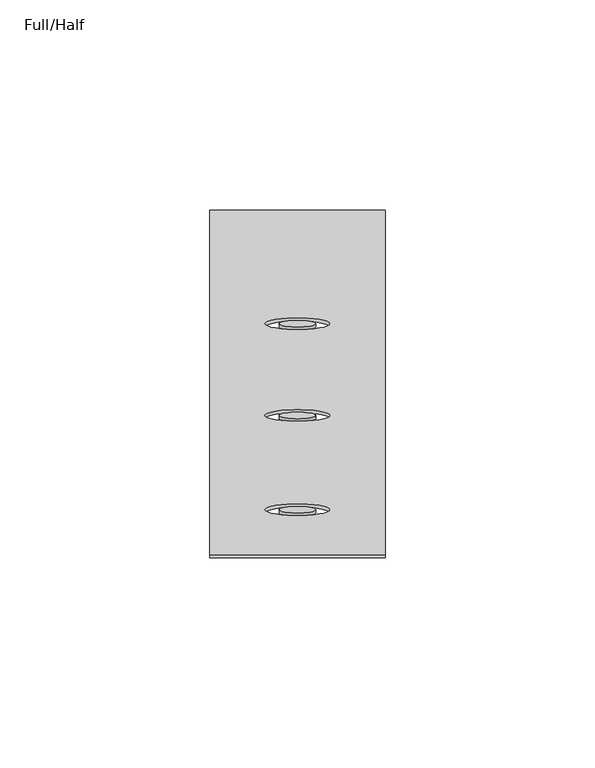
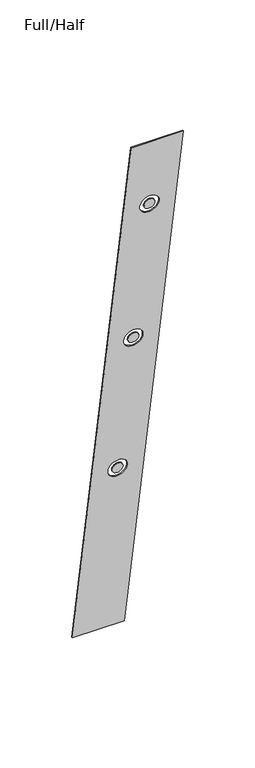
"""IFC4 building model written with IfcOpenShell, lengths in millimetres: furniture geometry, Full/Half."""

from ifc_helpers import new_model, si_unit, point, frame, frame_2d, origin, place, context, project, spatial, polyline, circle_curve, trimmed, segment, composite_curve, outline, extrude, source, transform, mapped, element, save


def full_half_34de2e61(model_context):
    return source(origin(), model_context, "Body", "SweptSolid", [
        extrude(outline(polyline([(41.7834961, 0.0), (0.0, 0.0), (0.0, 473.7102312), (41.7834961, 473.7102312), (41.7834961, 0.0)]), holes=[composite_curve([segment(trimmed(circle_curve(frame_2d((20.8958691, 61.9682185)), 7.7534661), [point((13.142403, 61.9682185))], [point((28.6493353, 61.9682185))], True, "CARTESIAN"), True, "CONTINUOUS"), segment(trimmed(circle_curve(frame_2d((20.8958691, 61.9682185)), 7.7534661), [point((28.6493353, 61.9682185))], [point((13.142403, 61.9682185))], True, "CARTESIAN"), True, "CONTINUOUS")], self_intersect=False), composite_curve([segment(trimmed(circle_curve(frame_2d((20.8958905, 191.5821275)), 7.7534661), [point((13.1424244, 191.5821275))], [point((28.6493566, 191.5821275))], True, "CARTESIAN"), True, "CONTINUOUS"), segment(trimmed(circle_curve(frame_2d((20.8958905, 191.5821275)), 7.7534661), [point((28.6493566, 191.5821275))], [point((13.1424244, 191.5821275))], True, "CARTESIAN"), True, "CONTINUOUS")], self_intersect=False), composite_curve([segment(trimmed(circle_curve(frame_2d((20.8958948, 317.5829273)), 7.7534661), [point((13.1424287, 317.5829273))], [point((28.6493609, 317.5829273))], True, "CARTESIAN"), True, "CONTINUOUS"), segment(trimmed(circle_curve(frame_2d((20.8958948, 317.5829273)), 7.7534661), [point((28.6493609, 317.5829273))], [point((13.1424287, 317.5829273))], True, "CARTESIAN"), True, "CONTINUOUS")], self_intersect=False)]), frame((3.6659394, -117.2062601, 490.2236317), z_axis=(0.0, 0.9848113970932373, 0.17362750978824254), x_axis=(1.0, 0.0, 0.0)), (0.0, 0.0, 1.0), 0.7594233),
        extrude(outline(composite_curve([segment(trimmed(circle_curve(frame_2d((20.8958691, 61.9682185)), 4.3853305), [point((16.5105386, 61.9682185))], [point((25.2811997, 61.9682185))], False, "CARTESIAN"), True, "CONTINUOUS"), segment(trimmed(circle_curve(frame_2d((20.8958691, 61.9682185)), 4.3853305), [point((25.2811997, 61.9682185))], [point((16.5105386, 61.9682185))], False, "CARTESIAN"), True, "CONTINUOUS")], self_intersect=False)), frame((3.6659394, -117.2062601, 490.2236317), z_axis=(0.0, 0.9848113970932373, 0.17362750978824254), x_axis=(1.0, 0.0, 0.0)), (0.0, 0.0, 1.0), 0.7594233),
        extrude(outline(composite_curve([segment(trimmed(circle_curve(frame_2d((20.8958905, 191.5821275)), 4.3853305), [point((16.51056, 191.5821275))], [point((25.281221, 191.5821275))], False, "CARTESIAN"), True, "CONTINUOUS"), segment(trimmed(circle_curve(frame_2d((20.8958905, 191.5821275)), 4.3853305), [point((25.281221, 191.5821275))], [point((16.51056, 191.5821275))], False, "CARTESIAN"), True, "CONTINUOUS")], self_intersect=False)), frame((3.6659394, -117.2062601, 490.2236317), z_axis=(0.0, 0.9848113970932373, 0.17362750978824254), x_axis=(1.0, 0.0, 0.0)), (0.0, 0.0, 1.0), 0.7594233),
        extrude(outline(composite_curve([segment(trimmed(circle_curve(frame_2d((20.8958948, 317.5829273)), 4.3853305), [point((16.5105643, 317.5829273))], [point((25.2812253, 317.5829273))], False, "CARTESIAN"), True, "CONTINUOUS"), segment(trimmed(circle_curve(frame_2d((20.8958948, 317.5829273)), 4.3853305), [point((25.2812253, 317.5829273))], [point((16.5105643, 317.5829273))], False, "CARTESIAN"), True, "CONTINUOUS")], self_intersect=False)), frame((3.6659394, -117.2062601, 490.2236317), z_axis=(0.0, 0.9848113970932373, 0.17362750978824254), x_axis=(1.0, 0.0, 0.0)), (0.0, 0.0, 1.0), 0.7594233),
    ])


if __name__ == "__main__":
    model = new_model("IFC4")
    model_context = context("Model", 3, world=origin())
    ifc_project = project(units=[si_unit("LENGTHUNIT", "METRE", prefix="MILLI")], contexts=[model_context])
    site = spatial("IfcSite", under=ifc_project)
    building = spatial("IfcBuilding", under=site)
    placement = place(None, origin())
    full_half_shape = full_half_34de2e61(model_context)
    element("IfcFurniture", 1, ObjectType="Full/Half", at=placement, inside=building, context=model_context, shape_type="MappedRepresentation", body=[
        mapped(full_half_shape, transform((0.0, 0.0, 0.0), x_axis=(1.0, 0.0, 0.0), y_axis=(0.0, 1.0, 0.0), z_axis=(0.0, 0.0, 1.0))),
    ])
    save(model, "model.ifc")
